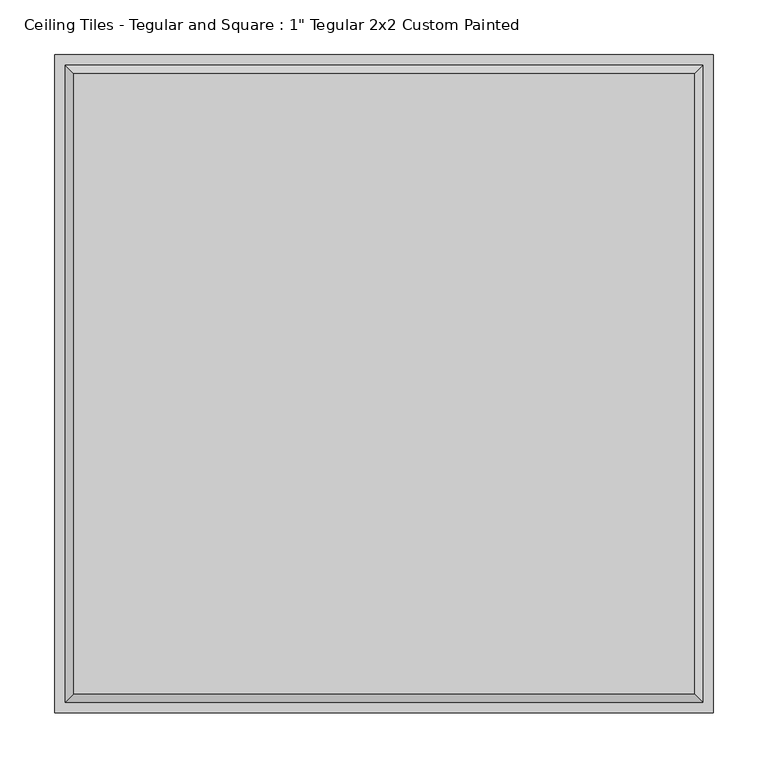
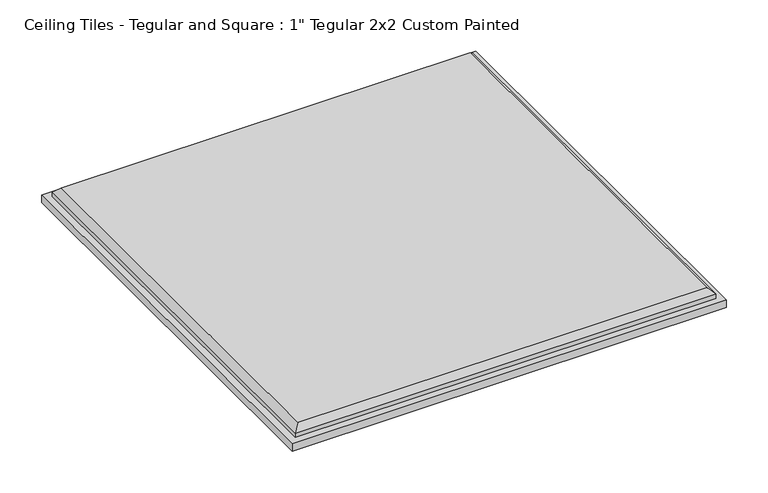
"""IFC4 building model written with IfcOpenShell, lengths in millimetres: proxy geometry."""

from ifc_helpers import new_model, si_unit, origin, place, context, project, spatial, faceted_brep, source, transform, mapped, element, save


def proxy_aaab8fee(model_context):
    return source(origin(), model_context, "Body", "Brep", [
        faceted_brep([(284.099, 284.099, 25.4), (-284.099, 284.099, 25.4), (-284.099, -284.099, 25.4), (284.099, -284.099, 25.4), (-301.625, 301.625, 0.0), (301.625, 301.625, 0.0), (301.625, -301.625, 0.0), (-301.625, -301.625, 0.0), (-301.625, -301.625, 11.1125), (-301.625, 301.625, 11.1125), (301.625, -301.625, 11.1125), (301.625, 301.625, 11.1125), (292.1, 292.1, 17.399), (-292.1, 292.1, 17.399), (-292.1, -292.1, 17.399), (292.1, -292.1, 17.399), (292.1, 292.1, 11.1125), (-292.1, 292.1, 11.1125), (-292.1, -292.1, 11.1125), (292.1, -292.1, 11.1125)], [[[0, 1, 2, 3]], [[4, 5, 6, 7]], [[4, 7, 8, 9]], [[7, 6, 10, 8]], [[6, 5, 11, 10]], [[5, 4, 9, 11]], [[12, 13, 1, 0]], [[1, 13, 14, 2]], [[2, 14, 15, 3]], [[12, 0, 3, 15]], [[16, 17, 13, 12]], [[13, 17, 18, 14]], [[14, 18, 19, 15]], [[16, 12, 15, 19]], [[9, 8, 10, 11], [17, 16, 19, 18]]]),
    ])


if __name__ == "__main__":
    model = new_model("IFC4")
    model_context = context("Model", 3, world=origin())
    ifc_project = project(units=[si_unit("LENGTHUNIT", "METRE", prefix="MILLI")], contexts=[model_context])
    site = spatial("IfcSite", under=ifc_project)
    building = spatial("IfcBuilding", under=site)
    placement = place(None, origin())
    proxy_shape = proxy_aaab8fee(model_context)
    element("IfcBuildingElementProxy", 1, Name="Ceiling Tiles - Tegular and Square : 1\" Tegular 2x2 Custom Painted", ObjectType="Ceiling Tiles - Tegular and Square : 1\" Tegular 2x2 Custom Painted", at=placement, inside=building, context=model_context, shape_type="MappedRepresentation", body=[
        mapped(proxy_shape, transform((0.0, 0.0, 0.0), x_axis=(1.0, 0.0, 0.0), y_axis=(0.0, 1.0, 0.0), z_axis=(0.0, 0.0, 1.0))),
    ])
    save(model, "model.ifc")
